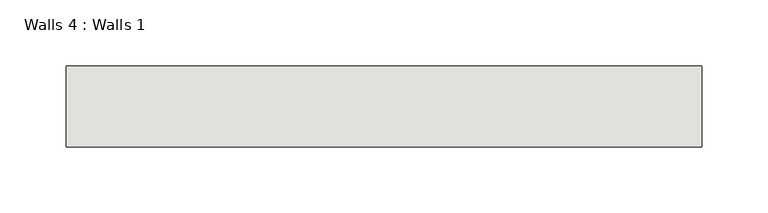
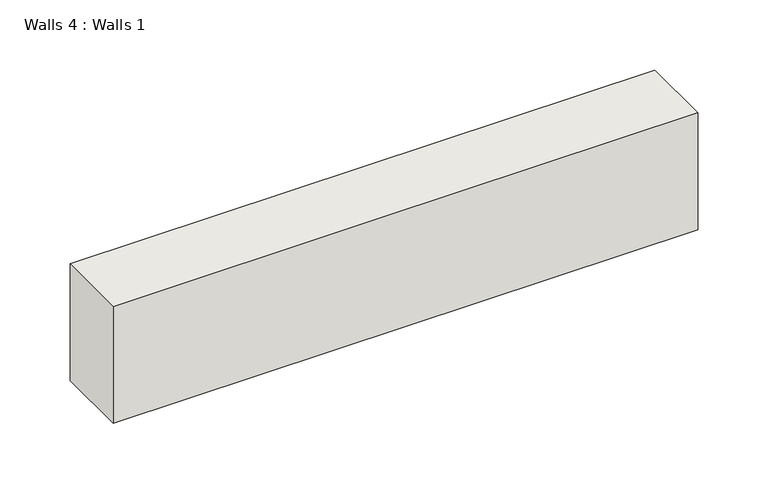
"""IFC4 building model written with IfcOpenShell, lengths in millimetres: wall geometry, Walls 4 : Walls 1."""

import ifcopenshell
import ifcopenshell.guid

model = None  # the IFC model being written
_history = None  # IfcOwnerHistory: only IFC2X3 demands one
_inside = {}  # id of a spatial element -> (the spatial element, [elements in it])
_under = {}  # id of a project, library or spatial element -> (it, [spatial elements below it])
_declared = {}  # id of a project -> (the project, [libraries it declares])
_typed = {}  # id of a type object -> (the type object, [elements of that type])
_made_of = {}  # id of a material, layer set ... -> (it, [elements and type objects made of it])


def new_model(schema):
    """Start an empty IFC model of exactly this schema.

    Asked for "IFC4X3", IfcOpenShell would pick the latest addendum, in which some entities
    have other attributes; the version numbers below select the first issue.
    IFC2X3 requires an IfcOwnerHistory on every rooted entity: one is made here for all.
    """
    global model, _history
    if schema == "IFC4X3":
        model = ifcopenshell.file(schema_version=(4, 3, 0, 0))
    else:
        model = ifcopenshell.file(schema=schema)
    _inside.clear()
    _under.clear()
    _declared.clear()
    _typed.clear()
    _made_of.clear()
    _history = None
    if model.schema == "IFC2X3":
        org = make("IfcOrganization", Name="unknown")
        user = make(
            "IfcPersonAndOrganization",
            ThePerson=make("IfcPerson", FamilyName="unknown"),
            TheOrganization=org,
        )
        app = make(
            "IfcApplication",
            ApplicationDeveloper=org,
            Version="unknown",
            ApplicationFullName="unknown",
            ApplicationIdentifier="unknown",
        )
        _history = make(
            "IfcOwnerHistory",
            OwningUser=user,
            OwningApplication=app,
            ChangeAction="ADDED",
            CreationDate=0,
        )
    return model


def make(cls, **values):
    """One entity of the class cls with the attributes given. An attribute that is None is left unset."""
    return model.create_entity(
        cls, **{name: value for name, value in values.items() if value is not None}
    )


def rooted(cls, **values):
    """An entity with a GlobalId (a new one), such as an element, a storey or a relation."""
    return make(cls, GlobalId=ifcopenshell.guid.new(), OwnerHistory=_history, **values)


def si_unit(unit_type, name, prefix=None):
    """IfcSIUnit, for example si_unit("LENGTHUNIT", "METRE", prefix="MILLI")."""
    return make("IfcSIUnit", UnitType=unit_type, Prefix=prefix, Name=name)


def assignment(units):
    """IfcUnitAssignment: the units of a project."""
    return None if units is None else make("IfcUnitAssignment", Units=units)


def point(xyz):
    """IfcCartesianPoint."""
    return None if xyz is None else make("IfcCartesianPoint", Coordinates=xyz)


def direction(xyz):
    """IfcDirection."""
    return None if xyz is None else make("IfcDirection", DirectionRatios=xyz)


def frame(location, z_axis=None, x_axis=None):
    """IfcAxis2Placement3D, a coordinate frame: its origin and axes. An axis left out is left unset."""
    return make(
        "IfcAxis2Placement3D",
        Location=point(location),
        Axis=direction(z_axis),
        RefDirection=direction(x_axis),
    )


def origin():
    """The frame at (0, 0, 0) with its axes left unset."""
    return frame((0.0, 0.0, 0.0))


def place(relative_to, where):
    """IfcLocalPlacement: puts the frame where relative to a parent placement (None: the world)."""
    return make(
        "IfcLocalPlacement", PlacementRelTo=relative_to, RelativePlacement=where
    )


def context(
    kind, dimensions, precision=None, world=None, true_north=None, identifier=None
):
    """IfcGeometricRepresentationContext, for example the 3D "Model" context."""
    return make(
        "IfcGeometricRepresentationContext",
        ContextIdentifier=identifier,
        ContextType=kind,
        CoordinateSpaceDimension=dimensions,
        Precision=precision,
        WorldCoordinateSystem=world,
        TrueNorth=true_north,
    )


def project(units=None, contexts=None):
    """IfcProject with its units and contexts."""
    return rooted(
        "IfcProject",
        Name="project",
        RepresentationContexts=contexts,
        UnitsInContext=assignment(units),
    )


def spatial(cls, under=None, at=None, **own):
    """A site, building, storey or space (cls), placed at a placement, below another one or the project."""
    s = rooted(cls, ObjectPlacement=at, **own)
    if under is not None:
        _under.setdefault(under.id(), (under, []))[1].append(s)
    return s


def faces_of(points, faces, orient=None, outer=None):
    """IfcFace entities. A face is a list of loops; a loop is a list of indices into points, from 0.

    orient and outer hold one flag for each loop. By default every Orientation is true, the
    first loop of a face is its IfcFaceOuterBound and the others are IfcFaceBound.
    """
    made = []
    for i, loops in enumerate(faces):
        bounds = []
        for j, loop in enumerate(loops):
            is_outer = j == 0 if outer is None else outer[i][j]
            bounds.append(
                make(
                    "IfcFaceOuterBound" if is_outer else "IfcFaceBound",
                    Bound=make("IfcPolyLoop", Polygon=[points[k] for k in loop]),
                    Orientation=True if orient is None else orient[i][j],
                )
            )
        made.append(make("IfcFace", Bounds=bounds))
    return made


def faceted_brep(points, faces, orient=None, outer=None, voids=None):
    """IfcFacetedBrep: a solid bounded by flat faces; with voids (closed shells), ...WithVoids."""
    shared = [point(p) for p in points]
    hull = make("IfcClosedShell", CfsFaces=faces_of(shared, faces, orient, outer))
    if voids is None:
        return make("IfcFacetedBrep", Outer=hull)
    return make(
        "IfcFacetedBrepWithVoids",
        Outer=hull,
        Voids=[
            make(cls, CfsFaces=faces_of(shared, fs, o, b)) for cls, fs, o, b in voids
        ],
    )


def shape(context_of_items, identifier, shape_type, items):
    """IfcShapeRepresentation: the items that make up one representation, for example the "Body"."""
    return make(
        "IfcShapeRepresentation",
        ContextOfItems=context_of_items,
        RepresentationIdentifier=identifier,
        RepresentationType=shape_type,
        Items=items,
    )


def source(mapping_origin, context_of_items, identifier, shape_type, items):
    """IfcRepresentationMap: a shape defined once, which mapped items show again and again."""
    return make(
        "IfcRepresentationMap",
        MappingOrigin=mapping_origin,
        MappedRepresentation=shape(context_of_items, identifier, shape_type, items),
    )


def transform(
    local_origin,
    x_axis=None,
    y_axis=None,
    z_axis=None,
    scale=None,
    scale2=None,
    scale3=None,
    uniform=True,
):
    """IfcCartesianTransformationOperator3D, or its non-uniform kind. x_axis, y_axis, z_axis: its Axis1, 2, 3."""
    if uniform:
        return make(
            "IfcCartesianTransformationOperator3D",
            Axis1=direction(x_axis),
            Axis2=direction(y_axis),
            LocalOrigin=point(local_origin),
            Scale=scale,
            Axis3=direction(z_axis),
        )
    return make(
        "IfcCartesianTransformationOperator3DnonUniform",
        Axis1=direction(x_axis),
        Axis2=direction(y_axis),
        LocalOrigin=point(local_origin),
        Scale=scale,
        Axis3=direction(z_axis),
        Scale2=scale2,
        Scale3=scale3,
    )


def mapped(mapping_source, mapping_target):
    """IfcMappedItem: shows the shape of a source again, moved by a transform."""
    return make(
        "IfcMappedItem", MappingSource=mapping_source, MappingTarget=mapping_target
    )


def made_of(thing, what):
    """Note that an element or type object is made of a material, layer set ...; save() writes the relation."""
    if what is not None:
        _made_of.setdefault(what.id(), (what, []))[1].append(thing)
    return thing


def element(
    cls,
    number,
    at=None,
    inside=None,
    cuts=None,
    type_object=None,
    material=None,
    context=None,
    identifier="Body",
    shape_type=None,
    held_by="IfcProductDefinitionShape",
    body=None,
    shapes=None,
    **own,
):
    """One element of the class cls, such as IfcWall. Its Tag is "e" and its number.

    at: its placement. inside: the storey or other place that contains it. cuts: it is an
    opening in that element (IfcRelVoidsElement). A single representation is given by context,
    identifier, shape_type and body (its items); several are given by shapes. held_by: the class
    of the entity that holds the representations. save() writes the other relations.
    """
    e = rooted(cls, Tag="e%d" % number, ObjectPlacement=at, **own)
    if body is not None:
        shapes = [shape(context, identifier, shape_type, body)]
    if shapes is not None:
        e.Representation = make(held_by, Representations=shapes)
    if inside is not None:
        _inside.setdefault(inside.id(), (inside, []))[1].append(e)
    if cuts is not None:
        rooted(
            "IfcRelVoidsElement", RelatingBuildingElement=cuts, RelatedOpeningElement=e
        )
    if type_object is not None:
        _typed.setdefault(type_object.id(), (type_object, []))[1].append(e)
    return made_of(e, material)


def aggregate(whole, parts):
    """IfcRelAggregates: a whole, such as a stair, and the parts it consists of."""
    return rooted("IfcRelAggregates", RelatingObject=whole, RelatedObjects=parts)


def save(model, path):
    """Write the relations noted so far, then the file.

    IfcRelAggregates (storeys below a building ...), IfcRelContainedInSpatialStructure (elements
    in a storey), IfcRelDefinesByType, IfcRelAssociatesMaterial and IfcRelDeclares: one each for
    every whole, place, type object, material and project.
    """
    for whole, parts in _under.values():
        aggregate(whole, parts)
    for where, things in _inside.values():
        rooted(
            "IfcRelContainedInSpatialStructure",
            RelatedElements=things,
            RelatingStructure=where,
        )
    for kind, things in _typed.values():
        rooted("IfcRelDefinesByType", RelatedObjects=things, RelatingType=kind)
    for what, things in _made_of.values():
        rooted("IfcRelAssociatesMaterial", RelatedObjects=things, RelatingMaterial=what)
    for by, libraries in _declared.values():
        rooted("IfcRelDeclares", RelatingContext=by, RelatedDefinitions=libraries)
    model.write(path)


def walls_4_walls_1_6c95e637(model_context):
    return source(origin(), model_context, "Body", "Brep", [
        faceted_brep([(176564.6448613, -28969.2305965, 6997.7), (176564.6448613, -28908.0799103, 6997.7), (176564.6448613, -28908.0799103, 7099.3), (176564.6448613, -28969.2305965, 7099.3), (176084.2810062, -28969.2305965, 6997.7), (176084.2810062, -28969.2305965, 7099.3), (176084.2810062, -28908.0799103, 7099.3), (176084.2810062, -28908.0799103, 6997.7), (176301.7685062, -28969.2305965, 7099.3)], [[[0, 1, 2, 3]], [[4, 5, 6, 7]], [[0, 3, 8, 5, 4]], [[1, 0, 4, 7]], [[2, 1, 7, 6]], [[3, 2, 6, 5, 8]]]),
    ])


if __name__ == "__main__":
    model = new_model("IFC4")
    model_context = context("Model", 3, world=origin())
    ifc_project = project(units=[si_unit("LENGTHUNIT", "METRE", prefix="MILLI")], contexts=[model_context])
    site = spatial("IfcSite", under=ifc_project)
    building = spatial("IfcBuilding", under=site)
    placement = place(None, origin())
    walls_4_walls_1_shape = walls_4_walls_1_6c95e637(model_context)
    element("IfcWall", 1, ObjectType="Walls 4 : Walls 1", at=placement, inside=building, context=model_context, shape_type="MappedRepresentation", body=[
        mapped(walls_4_walls_1_shape, transform((0.0, 0.0, 0.0), x_axis=(1.0, 0.0, 0.0), y_axis=(0.0, 1.0, 0.0), z_axis=(0.0, 0.0, 1.0))),
    ])
    save(model, "model.ifc")
